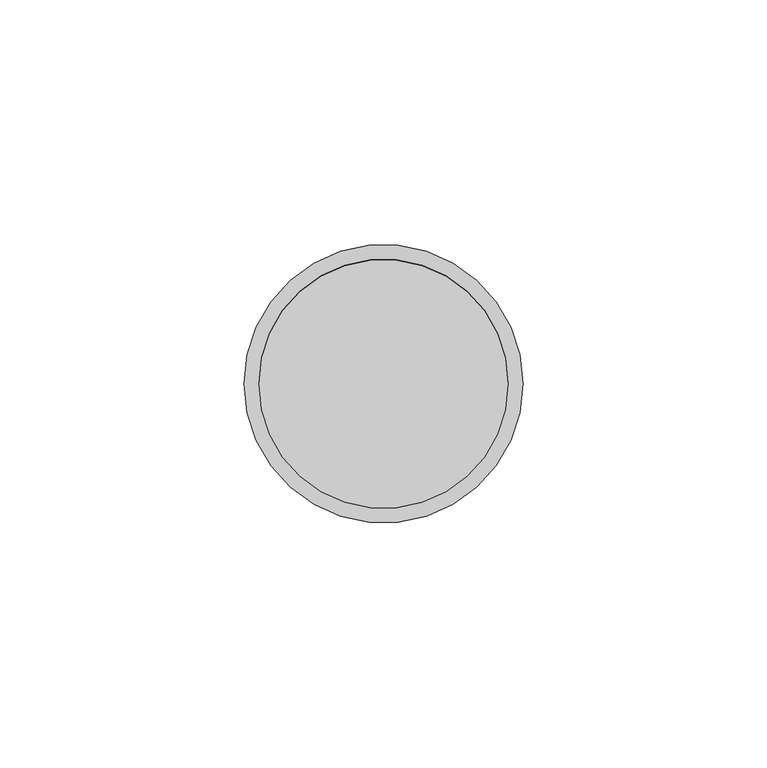
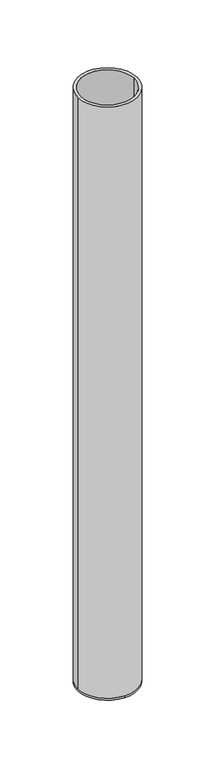
"""IFC4 building model written with IfcOpenShell, lengths in millimetres: beam geometry."""

from ifc_helpers import new_model, si_unit, frame, origin, place, context, project, spatial, polyline, circle_curve, source, transform, mapped, element, save
from ifc_brep_helpers import plane_surface, cylinder_surface, revolved_surface, advanced_brep


def beam_8f113f82(model_context):
    return source(origin(), model_context, "Body", "AdvancedBrep", [
        advanced_brep(
        [(28.5, 0.0, 0.0), (-28.5, 0.0, 0.0), (25.5, 0.0, 0.0), (-25.5, 0.0, 0.0), (25.5, 0.0, -598.0), (-25.5, 0.0, -598.0), (28.5, 0.0, -598.0), (0.0, 28.5, -598.0), (-28.5, 0.0, -598.0), (0.0, -28.5, -598.0), (0.0, 28.5, -600.0), (0.0, -28.5, -600.0)],
        [
            (0, 1, circle_curve(frame((0.0, 0.0, 0.0), z_axis=(0.0, 0.0, 1.0), x_axis=(-1.0, 0.0, 0.0)), 28.5)),
            (1, 0, circle_curve(frame((0.0, 0.0, 0.0), z_axis=(0.0, 0.0, 1.0), x_axis=(-1.0, 0.0, 0.0)), 28.5)),
            (2, 3, circle_curve(frame((0.0, 0.0, 0.0), z_axis=(0.0, 0.0, -1.0), x_axis=(-1.0, 0.0, 0.0)), 25.5)),
            (3, 2, circle_curve(frame((0.0, 0.0, 0.0), z_axis=(0.0, 0.0, -1.0), x_axis=(-1.0, 0.0, 0.0)), 25.5)),
            (2, 4),
            (4, 5, circle_curve(frame((0.0, 0.0, -598.0), z_axis=(0.0, 0.0, -1.0), x_axis=(-1.0, 0.0, 0.0)), 25.5)),
            (5, 3),
            (5, 4, circle_curve(frame((0.0, 0.0, -598.0), z_axis=(0.0, 0.0, -1.0), x_axis=(-1.0, 0.0, 0.0)), 25.5)),
            (0, 6),
            (6, 7, circle_curve(frame((0.0, 0.0, -598.0), z_axis=(0.0, 0.0, 1.0), x_axis=(-1.0, 0.0, 0.0)), 28.5)),
            (7, 8, circle_curve(frame((0.0, 0.0, -598.0), z_axis=(0.0, 0.0, 1.0), x_axis=(-1.0, 0.0, 0.0)), 28.5)),
            (8, 1),
            (8, 9, circle_curve(frame((0.0, 0.0, -598.0), z_axis=(0.0, 0.0, 1.0), x_axis=(-1.0, 0.0, 0.0)), 28.5)),
            (9, 6, circle_curve(frame((0.0, 0.0, -598.0), z_axis=(0.0, 0.0, 1.0), x_axis=(-1.0, 0.0, 0.0)), 28.5)),
            (10, 11, circle_curve(frame((0.0, 0.0, -600.0), z_axis=(0.0, 0.0, -1.0), x_axis=(0.0, -1.0, 0.0)), 28.5)),
            (11, 10, circle_curve(frame((0.0, 0.0, -600.0), z_axis=(0.0, 0.0, -1.0), x_axis=(0.0, -1.0, 0.0)), 28.5)),
            (11, 9),
            (7, 10),
        ],
        [
            plane_surface(frame((0.0, 0.0, 0.0), z_axis=(0.0, 0.0, 1.0), x_axis=(0.0, -1.0, 0.0))),
            revolved_surface(polyline([(-25.5, 0.0, 0.0), (-25.5, 0.0, -598.0)]), (0.0, 0.0, -598.0), (0.0, 0.0, 1.0)),
            cylinder_surface(frame((0.0, 0.0, -598.0), z_axis=(0.0, 0.0, -1.0), x_axis=(-1.0, 0.0, 0.0)), 28.5),
            plane_surface(frame((0.0, 0.0, -598.0), z_axis=(0.0, 0.0, 1.0), x_axis=(0.0, -1.0, 0.0))),
            plane_surface(frame((0.0, 0.0, -600.0), z_axis=(0.0, 0.0, -1.0), x_axis=(0.0, -1.0, 0.0))),
            cylinder_surface(frame((0.0, 0.0, -598.0), z_axis=(0.0, 0.0, 1.0), x_axis=(0.0, -1.0, 0.0)), 28.5),
        ],
        [
            (0, [[1, 2], [3, 4]]),
            (1, [[-3, 5, 6, 7]]),
            (1, [[-4, -7, 8, -5]]),
            (2, [[-1, 9, 10, 11, 12]]),
            (2, [[-2, -12, 13, 14, -9]]),
            (3, [[-6, -8]]),
            (4, [[15, 16]]),
            (5, [[-16, 17, -13, -11, 18]]),
            (5, [[-15, -18, -10, -14, -17]]),
        ],
    ),
    ])


if __name__ == "__main__":
    model = new_model("IFC4")
    model_context = context("Model", 3, world=origin())
    ifc_project = project(units=[si_unit("LENGTHUNIT", "METRE", prefix="MILLI")], contexts=[model_context])
    site = spatial("IfcSite", under=ifc_project)
    building = spatial("IfcBuilding", under=site)
    placement = place(None, origin())
    beam_shape = beam_8f113f82(model_context)
    element("IfcBeam", 1, at=placement, inside=building, context=model_context, shape_type="MappedRepresentation", body=[
        mapped(beam_shape, transform((0.0, 0.0, 0.0), x_axis=(1.0, 0.0, 0.0), y_axis=(0.0, 1.0, 0.0), z_axis=(0.0, 0.0, 1.0))),
    ])
    save(model, "model.ifc")
